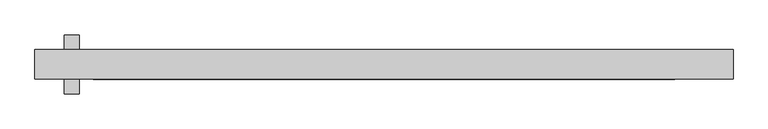
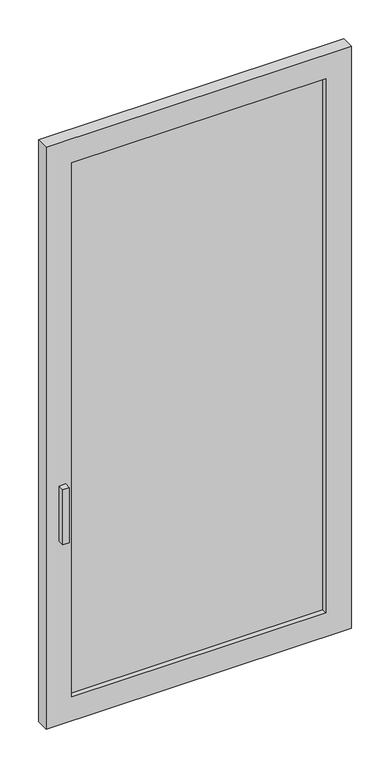
"""IFC4 building model written with IfcOpenShell, lengths in millimetres: plate geometry."""

from ifc_helpers import new_model, si_unit, frame, origin, place, context, project, spatial, polyline, outline, extrude, faceted_brep, source, transform, mapped, element, save


def plate_39012d68(model_context):
    return source(origin(), model_context, "Body", "SolidModel", [
        faceted_brep([(-522.5500001, -50.8, 990.6), (-547.9500001, -50.8, 990.6), (-547.9500001, -50.8, 762.0), (-522.5500001, -50.8, 762.0), (-522.5500001, -25.4, 990.6), (-547.9500001, -25.4, 990.6), (-547.9500001, -25.4, 762.0), (-522.5500001, -25.4, 762.0), (-598.6592903, -25.4, 2413.4122869), (-598.6592903, -25.4, 0.0), (598.75, -25.4, 0.0), (598.75, -25.4, 2413.4122869), (498.75, -25.4, 2313.4122869), (498.75, -25.4, 100.0), (-498.75, -25.4, 100.0), (-498.75, -25.4, 2313.4122869), (-598.6592903, 25.4, 2413.4122869), (598.75, 25.4, 2413.4122869), (598.75, 25.4, 0.0), (-598.6592903, 25.4, 0.0), (498.75, 25.4, 2313.4122869), (-498.75, 25.4, 2313.4122869), (-498.75, 25.4, 100.0), (498.75, 25.4, 100.0)], [[[0, 1, 2, 3]], [[1, 0, 4, 5]], [[2, 1, 5, 6]], [[3, 2, 6, 7]], [[0, 3, 7, 4]], [[8, 9, 10, 11], [12, 13, 14, 15], [5, 4, 7, 6]], [[16, 17, 18, 19], [20, 21, 22, 23]], [[9, 8, 16, 19]], [[10, 9, 19, 18]], [[11, 10, 18, 17]], [[8, 11, 17, 16]], [[13, 12, 20, 23]], [[14, 13, 23, 22]], [[15, 14, 22, 21]], [[12, 15, 21, 20]]]),
        extrude(outline(polyline([(498.75, -6.35), (-498.75, -6.35), (-498.75, 6.35), (498.75, 6.35), (498.75, -6.35)])), frame((0.0, 0.0, 100.0), z_axis=(0.0, 0.0, 1.0), x_axis=(1.0, 0.0, 0.0)), (0.0, 0.0, 1.0), 2213.4122869),
        extrude(outline(polyline([(-547.9500001, 50.8), (-522.5500001, 50.8), (-522.5500001, 0.0), (-547.9500001, 0.0), (-547.9500001, 50.8)])), frame((0.0, 0.0, 762.0), z_axis=(0.0, 0.0, 1.0), x_axis=(1.0, 0.0, 0.0)), (0.0, 0.0, 1.0), 228.6),
    ])


if __name__ == "__main__":
    model = new_model("IFC4")
    model_context = context("Model", 3, world=origin())
    ifc_project = project(units=[si_unit("LENGTHUNIT", "METRE", prefix="MILLI")], contexts=[model_context])
    site = spatial("IfcSite", under=ifc_project)
    building = spatial("IfcBuilding", under=site)
    placement = place(None, origin())
    plate_shape = plate_39012d68(model_context)
    element("IfcPlate", 1, at=placement, inside=building, context=model_context, shape_type="MappedRepresentation", body=[
        mapped(plate_shape, transform((0.0, 0.0, 0.0), x_axis=(1.0, 0.0, 0.0), y_axis=(0.0, 1.0, 0.0), z_axis=(0.0, 0.0, 1.0))),
    ])
    save(model, "model.ifc")
